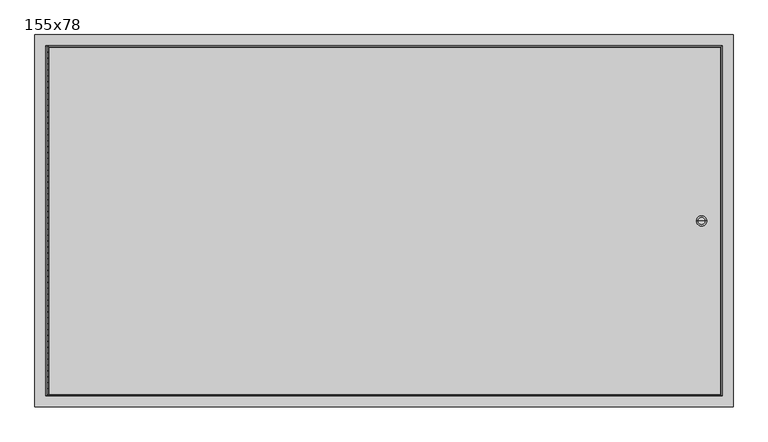
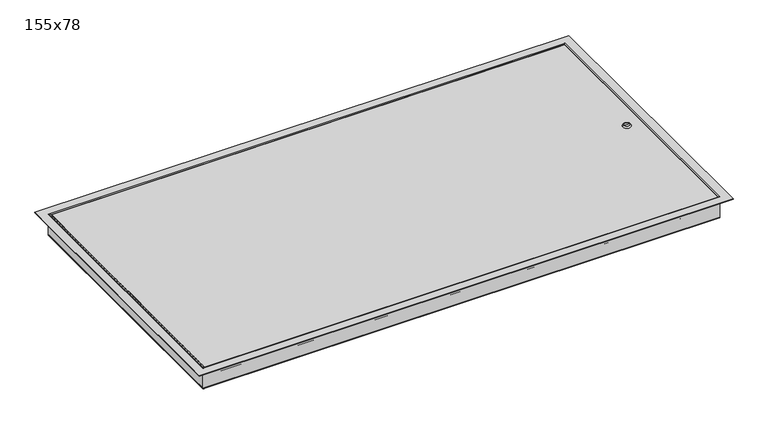
"""IFC4 building model written with IfcOpenShell, lengths in millimetres: proxy geometry, 155x78."""

from ifc_helpers import new_model, si_unit, point, frame, frame_2d, origin, place, context, project, spatial, polyline, circle_curve, ellipse_curve, trimmed, segment, composite_curve, outline, extrude, source, transform, mapped, element, save
from ifc_brep_helpers import plane_surface, cylinder_surface, revolved_surface, advanced_brep


def proxy_155x78_c3b8e505(model_context):
    return source(origin(), model_context, "Body", "SolidModel", [
        extrude(outline(polyline([(-152.4033794, 375.0033794), (1297.6033794, 375.0033794), (1297.6033794, -375.0033794), (-152.4033794, -375.0033794), (-152.4033794, 375.0033794)]), holes=[polyline([(1291.2533794, 368.6533814), (-146.0533794, 368.6533814), (-146.0533794, -368.6533825), (1291.2533794, -368.6533825), (1291.2533794, 368.6533814)])]), frame((0.0, 0.0, -36.3725982), z_axis=(0.0, 0.0, 1.0), x_axis=(1.0, 0.0, 0.0)), (0.0, 0.0, 1.0), 6.35),
        advanced_brep(
        [(-177.8000002, -400.4000002, 1.5750008), (-177.8000002, -400.4000002, 0.0), (1323.0000002, -400.4000002, 0.0), (1323.0000002, -400.4000002, 1.5750008), (-152.4033794, -375.0033794, -0.1268515), (-154.1781984, -376.7781984, 1.5750008), (1299.3781984, -376.7781984, 1.5750008), (1297.6033794, -375.0033794, -0.1268515), (-152.4033794, -375.0033794, -58.8652384), (1297.6033794, -375.0033794, -58.8652384), (-150.9186192, -373.5186192, -60.3499985), (1296.1186192, -373.5186192, -60.3499985), (-138.100005, -360.700005, -61.9249992), (-138.100005, -360.700005, -60.3499985), (1283.300005, -360.700005, -60.3499985), (1283.300005, -360.700005, -61.9249992), (-153.975001, -376.575001, -59.1648349), (-150.7997951, -373.3997951, -61.9249992), (1295.9997951, -373.3997951, -61.9249992), (1299.175001, -376.575001, -59.1648349), (-153.975001, -376.575001, 0.0), (1299.175001, -376.575001, 0.0), (1323.0000002, 400.4000002, 0.0), (1323.0000002, 400.4000002, 1.5750008), (1299.3781984, 376.7781984, 1.5750008), (1297.6033794, 375.0033794, -0.1268515), (1297.6033794, 375.0033794, -58.8652384), (1296.1186192, 373.5186192, -60.3499985), (1283.300005, 360.700005, -60.3499985), (1283.300005, 360.700005, -61.9249992), (1295.9997951, 373.3997951, -61.9249992), (1299.175001, 376.575001, -59.1648349), (1299.175001, 376.575001, 0.0), (-177.8000002, 400.4000002, 0.0), (-177.8000002, 400.4000002, 1.5750008), (-154.1781984, 376.7781984, 1.5750008), (-152.4033794, 375.0033794, -0.1268515), (-152.4033794, 375.0033794, -58.8652384), (-150.9186192, 373.5186192, -60.3499985), (-138.100005, 360.700005, -60.3499985), (-138.100005, 360.700005, -61.9249992), (-150.7997951, 373.3997951, -61.9249992), (-153.975001, 376.575001, -59.1648349), (-153.975001, 376.575001, 0.0)],
        [
            (0, 1),
            (1, 2),
            (2, 3),
            (3, 0),
            (4, 5, ellipse_curve(frame((-154.1781984, -376.7781984, -0.2013824), z_axis=(0.7071067811865475, -0.7071067811865475, 0.0), x_axis=(-0.7071067811865476, -0.7071067811865474, 0.0)), 2.5121852, 1.7763832)),
            (5, 6),
            (6, 7, ellipse_curve(frame((1299.3781984, -376.7781984, -0.2013824), z_axis=(-0.7071067811865475, -0.7071067811865475, 0.0), x_axis=(-0.7071067811865476, 0.7071067811865474, 0.0)), 2.5121852, 1.7763832)),
            (7, 4),
            (8, 4),
            (7, 9),
            (9, 8),
            (10, 8, ellipse_curve(frame((-150.9186192, -373.5186192, -58.8652384), z_axis=(-0.7071067811865475, 0.7071067811865475, 0.0), x_axis=(0.7071067811865476, 0.7071067811865474, 0.0)), 2.0997679, 1.4847601)),
            (9, 11, ellipse_curve(frame((1296.1186192, -373.5186192, -58.8652384), z_axis=(0.7071067811865475, 0.7071067811865475, 0.0), x_axis=(0.7071067811865476, -0.7071067811865474, 0.0)), 2.0997679, 1.4847601)),
            (11, 10),
            (12, 13),
            (13, 14),
            (14, 15),
            (15, 12),
            (16, 17, ellipse_curve(frame((-150.7997951, -373.3997951, -58.7185888), z_axis=(0.7071067811865475, -0.7071067811865475, 0.0), x_axis=(-0.7071067811865476, -0.7071067811865474, 0.0)), 4.5345492, 3.2064105)),
            (17, 18),
            (18, 19, ellipse_curve(frame((1295.9997951, -373.3997951, -58.7185888), z_axis=(-0.7071067811865475, -0.7071067811865475, 0.0), x_axis=(-0.7071067811865476, 0.7071067811865474, 0.0)), 4.5345492, 3.2064105)),
            (19, 16),
            (20, 16),
            (19, 21),
            (21, 20),
            (2, 22),
            (22, 23),
            (23, 3),
            (6, 24),
            (24, 25, ellipse_curve(frame((1299.3781984, 376.7781984, -0.2013824), z_axis=(0.7071067811865475, -0.7071067811865475, 0.0), x_axis=(-0.7071067811865474, -0.7071067811865476, 0.0)), 2.5121852, 1.7763832)),
            (25, 7),
            (25, 26),
            (26, 9),
            (26, 27, ellipse_curve(frame((1296.1186192, 373.5186192, -58.8652384), z_axis=(-0.7071067811865475, 0.7071067811865475, 0.0), x_axis=(0.7071067811865474, 0.7071067811865476, 0.0)), 2.0997679, 1.4847601)),
            (27, 11),
            (14, 28),
            (28, 29),
            (29, 15),
            (18, 30),
            (30, 31, ellipse_curve(frame((1295.9997951, 373.3997951, -58.7185888), z_axis=(0.7071067811865475, -0.7071067811865475, 0.0), x_axis=(-0.7071067811865474, -0.7071067811865476, 0.0)), 4.5345492, 3.2064105)),
            (31, 19),
            (31, 32),
            (32, 21),
            (22, 33),
            (33, 34),
            (34, 23),
            (24, 35),
            (35, 36, ellipse_curve(frame((-154.1781984, 376.7781984, -0.2013824), z_axis=(0.7071067811865475, 0.7071067811865475, 0.0), x_axis=(0.7071067811865476, -0.7071067811865474, 0.0)), 2.5121852, 1.7763832)),
            (36, 25),
            (36, 37),
            (37, 26),
            (37, 38, ellipse_curve(frame((-150.9186192, 373.5186192, -58.8652384), z_axis=(-0.7071067811865475, -0.7071067811865475, 0.0), x_axis=(-0.7071067811865476, 0.7071067811865474, 0.0)), 2.0997679, 1.4847601)),
            (38, 27),
            (28, 39),
            (39, 40),
            (40, 29),
            (30, 41),
            (41, 42, ellipse_curve(frame((-150.7997951, 373.3997951, -58.7185888), z_axis=(0.7071067811865475, 0.7071067811865475, 0.0), x_axis=(0.7071067811865476, -0.7071067811865474, 0.0)), 4.5345492, 3.2064105)),
            (42, 31),
            (42, 43),
            (43, 32),
            (33, 1),
            (0, 34),
            (5, 35),
            (4, 36),
            (8, 37),
            (10, 38),
            (13, 39),
            (12, 40),
            (17, 41),
            (16, 42),
            (20, 43),
        ],
        [
            plane_surface(frame((-177.8000002, -400.4000002, 0.0), z_axis=(0.0, -1.0, 0.0), x_axis=(1.0, 0.0, 0.0))),
            cylinder_surface(frame((-177.8, -376.7781984, -0.2013824), z_axis=(-1.0, 0.0, 0.0), x_axis=(0.0, 1.0, 0.0)), 1.7763832),
            plane_surface(frame((-152.4033794, -375.0033794, -0.1268515), z_axis=(0.0, 1.0, 0.0), x_axis=(1.0, 0.0, 0.0))),
            revolved_surface(polyline([(1297.6033794, -372.0338591, -58.8652384), (-152.4033794, -372.0338591, -58.8652384)]), (-177.8, -373.5186192, -58.8652384), (1.0, 0.0, 0.0)),
            plane_surface(frame((-138.100005, -360.700005, -60.3499985), z_axis=(0.0, 1.0, 0.0), x_axis=(1.0, 0.0, 0.0))),
            cylinder_surface(frame((-177.8, -373.3997951, -58.7185888), z_axis=(-1.0, 0.0, 0.0), x_axis=(0.0, 1.0, 0.0)), 3.2064105),
            plane_surface(frame((-153.975001, -376.575001, -59.1648349), z_axis=(0.0, -1.0, 0.0), x_axis=(1.0, 0.0, 0.0))),
            plane_surface(frame((1323.0000002, -400.4000002, 0.0), z_axis=(1.0, 0.0, 0.0), x_axis=(0.0, 1.0, 0.0))),
            cylinder_surface(frame((1299.3781984, -400.4, -0.2013824), z_axis=(0.0, -1.0, 0.0), x_axis=(-1.0, 0.0, 0.0)), 1.7763832),
            plane_surface(frame((1297.6033794, -375.0033794, -0.1268515), z_axis=(-1.0, 0.0, 0.0), x_axis=(0.0, 1.0, 0.0))),
            revolved_surface(polyline([(1294.6338591, 375.0033794, -58.8652384), (1294.6338591, -375.0033794, -58.8652384)]), (1296.1186192, -400.4, -58.8652384), (0.0, 1.0, 0.0)),
            plane_surface(frame((1283.300005, -360.700005, -60.3499985), z_axis=(-1.0, 0.0, 0.0), x_axis=(0.0, 1.0, 0.0))),
            cylinder_surface(frame((1295.9997951, -400.4, -58.7185888), z_axis=(0.0, -1.0, 0.0), x_axis=(-1.0, 0.0, 0.0)), 3.2064105),
            plane_surface(frame((1299.175001, -376.575001, -59.1648349), z_axis=(1.0, 0.0, 0.0), x_axis=(0.0, 1.0, 0.0))),
            plane_surface(frame((1323.0000002, 400.4000002, 0.0), z_axis=(0.0, 1.0, 0.0), x_axis=(-1.0, 0.0, 0.0))),
            cylinder_surface(frame((1323.0, 376.7781984, -0.2013824), z_axis=(1.0, 0.0, 0.0), x_axis=(0.0, -1.0, 0.0)), 1.7763832),
            plane_surface(frame((1297.6033794, 375.0033794, -0.1268515), z_axis=(0.0, -1.0, 0.0), x_axis=(-1.0, 0.0, 0.0))),
            revolved_surface(polyline([(-152.40337939999995, 372.0338591, -58.8652384), (1297.6033794, 372.0338591, -58.8652384)]), (1323.0, 373.5186192, -58.8652384), (-1.0, 0.0, 0.0)),
            plane_surface(frame((1283.300005, 360.700005, -60.3499985), z_axis=(0.0, -1.0, 0.0), x_axis=(-1.0, 0.0, 0.0))),
            cylinder_surface(frame((1323.0, 373.3997951, -58.7185888), z_axis=(1.0, 0.0, 0.0), x_axis=(0.0, -1.0, 0.0)), 3.2064105),
            plane_surface(frame((1299.175001, 376.575001, -59.1648349), z_axis=(0.0, 1.0, 0.0), x_axis=(-1.0, 0.0, 0.0))),
            plane_surface(frame((-177.8000002, 400.4000002, 0.0), z_axis=(-1.0, 0.0, 0.0), x_axis=(0.0, -1.0, 0.0))),
            plane_surface(frame((-177.8000002, 400.4000002, 1.5750008), z_axis=(0.0, 0.0, 1.0), x_axis=(0.0, -1.0, 0.0))),
            cylinder_surface(frame((-154.1781984, 400.4, -0.2013824), z_axis=(0.0, 1.0, 0.0), x_axis=(1.0, 0.0, 0.0)), 1.7763832),
            plane_surface(frame((-152.4033794, 375.0033794, -0.1268515), z_axis=(1.0, 0.0, 0.0), x_axis=(0.0, -1.0, 0.0))),
            revolved_surface(polyline([(-149.4338591, -375.0033794, -58.8652384), (-149.4338591, 375.0033794, -58.8652384)]), (-150.9186192, 400.4, -58.8652384), (0.0, -1.0, 0.0)),
            plane_surface(frame((-150.9186192, 373.5186192, -60.3499985), z_axis=(0.0, 0.0, 1.0), x_axis=(0.0, -1.0, 0.0))),
            plane_surface(frame((-138.100005, 360.700005, -60.3499985), z_axis=(1.0, 0.0, 0.0), x_axis=(0.0, -1.0, 0.0))),
            plane_surface(frame((-138.100005, 360.700005, -61.9249992), z_axis=(0.0, 0.0, -1.0), x_axis=(0.0, -1.0, 0.0))),
            cylinder_surface(frame((-150.7997951, 400.4, -58.7185888), z_axis=(0.0, 1.0, 0.0), x_axis=(1.0, 0.0, 0.0)), 3.2064105),
            plane_surface(frame((-153.975001, 376.575001, -59.1648349), z_axis=(-1.0, 0.0, 0.0), x_axis=(0.0, -1.0, 0.0))),
            plane_surface(frame((-153.975001, 376.575001, 0.0), z_axis=(0.0, 0.0, -1.0), x_axis=(0.0, -1.0, 0.0))),
        ],
        [
            (0, [[1, 2, 3, 4]]),
            (1, [[5, 6, 7, 8]]),
            (2, [[9, -8, 10, 11]]),
            (3, [[12, -11, 13, 14]]),
            (4, [[15, 16, 17, 18]]),
            (5, [[19, 20, 21, 22]]),
            (6, [[23, -22, 24, 25]]),
            (7, [[-3, 26, 27, 28]]),
            (8, [[-7, 29, 30, 31]]),
            (9, [[-10, -31, 32, 33]]),
            (10, [[-13, -33, 34, 35]]),
            (11, [[-17, 36, 37, 38]]),
            (12, [[-21, 39, 40, 41]]),
            (13, [[-24, -41, 42, 43]]),
            (14, [[-27, 44, 45, 46]]),
            (15, [[-30, 47, 48, 49]]),
            (16, [[-32, -49, 50, 51]]),
            (17, [[-34, -51, 52, 53]]),
            (18, [[-37, 54, 55, 56]]),
            (19, [[-40, 57, 58, 59]]),
            (20, [[-42, -59, 60, 61]]),
            (21, [[-45, 62, -1, 63]]),
            (22, [[-28, -46, -63, -4], [64, -47, -29, -6]]),
            (23, [[-48, -64, -5, 65]]),
            (24, [[-50, -65, -9, 66]]),
            (25, [[-52, -66, -12, 67]]),
            (26, [[-35, -53, -67, -14], [68, -54, -36, -16]]),
            (27, [[-55, -68, -15, 69]]),
            (28, [[70, -57, -39, -20], [-38, -56, -69, -18]]),
            (29, [[-58, -70, -19, 71]]),
            (30, [[-60, -71, -23, 72]]),
            (31, [[-62, -44, -26, -2], [-43, -61, -72, -25]]),
        ],
    ),
        extrude(outline(composite_curve([segment(trimmed(circle_curve(frame_2d((0.0, -150.415625)), 1.984375), [point((0.0, -152.4))], [point((0.0, -148.43125))], False, "CARTESIAN"), True, "CONTINUOUS"), segment(trimmed(circle_curve(frame_2d((0.0, -150.415625)), 1.984375), [point((0.0, -148.43125))], [point((0.0, -152.4))], False, "CARTESIAN"), True, "CONTINUOUS")], self_intersect=False)), frame((0.0, -372.7125, 0.0), z_axis=(0.0, 1.0, 0.0), x_axis=(0.0, 0.0, 1.0)), (0.0, 0.0, 1.0), 11.1125),
        extrude(outline(composite_curve([segment(trimmed(circle_curve(frame_2d((0.0, -150.415625)), 1.984375), [point((0.0, -152.4))], [point((0.0, -148.43125))], False, "CARTESIAN"), True, "CONTINUOUS"), segment(trimmed(circle_curve(frame_2d((0.0, -150.415625)), 1.984375), [point((0.0, -148.43125))], [point((0.0, -152.4))], False, "CARTESIAN"), True, "CONTINUOUS")], self_intersect=False)), frame((0.0, -360.0125, 0.0), z_axis=(0.0, 1.0, 0.0), x_axis=(0.0, 0.0, 1.0)), (0.0, 0.0, 1.0), 11.1125),
        extrude(outline(composite_curve([segment(trimmed(circle_curve(frame_2d((0.0, -150.415625)), 1.984375), [point((0.0, -152.4))], [point((0.0, -148.43125))], False, "CARTESIAN"), True, "CONTINUOUS"), segment(trimmed(circle_curve(frame_2d((0.0, -150.415625)), 1.984375), [point((0.0, -148.43125))], [point((0.0, -152.4))], False, "CARTESIAN"), True, "CONTINUOUS")], self_intersect=False)), frame((0.0, -347.3125, 0.0), z_axis=(0.0, 1.0, 0.0), x_axis=(0.0, 0.0, 1.0)), (0.0, 0.0, 1.0), 11.1125),
        extrude(outline(composite_curve([segment(trimmed(circle_curve(frame_2d((0.0, -150.415625)), 1.984375), [point((0.0, -152.4))], [point((0.0, -148.43125))], False, "CARTESIAN"), True, "CONTINUOUS"), segment(trimmed(circle_curve(frame_2d((0.0, -150.415625)), 1.984375), [point((0.0, -148.43125))], [point((0.0, -152.4))], False, "CARTESIAN"), True, "CONTINUOUS")], self_intersect=False)), frame((0.0, -334.6125, 0.0), z_axis=(0.0, 1.0, 0.0), x_axis=(0.0, 0.0, 1.0)), (0.0, 0.0, 1.0), 11.1125),
        extrude(outline(composite_curve([segment(trimmed(circle_curve(frame_2d((0.0, -150.415625)), 1.984375), [point((0.0, -152.4))], [point((0.0, -148.43125))], False, "CARTESIAN"), True, "CONTINUOUS"), segment(trimmed(circle_curve(frame_2d((0.0, -150.415625)), 1.984375), [point((0.0, -148.43125))], [point((0.0, -152.4))], False, "CARTESIAN"), True, "CONTINUOUS")], self_intersect=False)), frame((0.0, -321.9125, 0.0), z_axis=(0.0, 1.0, 0.0), x_axis=(0.0, 0.0, 1.0)), (0.0, 0.0, 1.0), 11.1125),
        extrude(outline(composite_curve([segment(trimmed(circle_curve(frame_2d((0.0, -150.415625)), 1.984375), [point((0.0, -152.4))], [point((0.0, -148.43125))], False, "CARTESIAN"), True, "CONTINUOUS"), segment(trimmed(circle_curve(frame_2d((0.0, -150.415625)), 1.984375), [point((0.0, -148.43125))], [point((0.0, -152.4))], False, "CARTESIAN"), True, "CONTINUOUS")], self_intersect=False)), frame((0.0, -309.2125, 0.0), z_axis=(0.0, 1.0, 0.0), x_axis=(0.0, 0.0, 1.0)), (0.0, 0.0, 1.0), 11.1125),
        extrude(outline(composite_curve([segment(trimmed(circle_curve(frame_2d((0.0, -150.415625)), 1.984375), [point((0.0, -152.4))], [point((0.0, -148.43125))], False, "CARTESIAN"), True, "CONTINUOUS"), segment(trimmed(circle_curve(frame_2d((0.0, -150.415625)), 1.984375), [point((0.0, -148.43125))], [point((0.0, -152.4))], False, "CARTESIAN"), True, "CONTINUOUS")], self_intersect=False)), frame((0.0, -296.5125, 0.0), z_axis=(0.0, 1.0, 0.0), x_axis=(0.0, 0.0, 1.0)), (0.0, 0.0, 1.0), 11.1125),
        extrude(outline(composite_curve([segment(trimmed(circle_curve(frame_2d((0.0, -150.415625)), 1.984375), [point((0.0, -152.4))], [point((0.0, -148.43125))], False, "CARTESIAN"), True, "CONTINUOUS"), segment(trimmed(circle_curve(frame_2d((0.0, -150.415625)), 1.984375), [point((0.0, -148.43125))], [point((0.0, -152.4))], False, "CARTESIAN"), True, "CONTINUOUS")], self_intersect=False)), frame((0.0, -283.8125, 0.0), z_axis=(0.0, 1.0, 0.0), x_axis=(0.0, 0.0, 1.0)), (0.0, 0.0, 1.0), 11.1125),
        extrude(outline(composite_curve([segment(trimmed(circle_curve(frame_2d((0.0, -150.415625)), 1.984375), [point((0.0, -152.4))], [point((0.0, -148.43125))], False, "CARTESIAN"), True, "CONTINUOUS"), segment(trimmed(circle_curve(frame_2d((0.0, -150.415625)), 1.984375), [point((0.0, -148.43125))], [point((0.0, -152.4))], False, "CARTESIAN"), True, "CONTINUOUS")], self_intersect=False)), frame((0.0, -271.1125, 0.0), z_axis=(0.0, 1.0, 0.0), x_axis=(0.0, 0.0, 1.0)), (0.0, 0.0, 1.0), 11.1125),
        extrude(outline(composite_curve([segment(trimmed(circle_curve(frame_2d((0.0, -150.415625)), 1.984375), [point((0.0, -152.4))], [point((0.0, -148.43125))], False, "CARTESIAN"), True, "CONTINUOUS"), segment(trimmed(circle_curve(frame_2d((0.0, -150.415625)), 1.984375), [point((0.0, -148.43125))], [point((0.0, -152.4))], False, "CARTESIAN"), True, "CONTINUOUS")], self_intersect=False)), frame((0.0, -258.4125, 0.0), z_axis=(0.0, 1.0, 0.0), x_axis=(0.0, 0.0, 1.0)), (0.0, 0.0, 1.0), 11.1125),
        extrude(outline(composite_curve([segment(trimmed(circle_curve(frame_2d((0.0, -150.415625)), 1.984375), [point((0.0, -152.4))], [point((0.0, -148.43125))], False, "CARTESIAN"), True, "CONTINUOUS"), segment(trimmed(circle_curve(frame_2d((0.0, -150.415625)), 1.984375), [point((0.0, -148.43125))], [point((0.0, -152.4))], False, "CARTESIAN"), True, "CONTINUOUS")], self_intersect=False)), frame((0.0, -245.7125, 0.0), z_axis=(0.0, 1.0, 0.0), x_axis=(0.0, 0.0, 1.0)), (0.0, 0.0, 1.0), 11.1125),
        extrude(outline(composite_curve([segment(trimmed(circle_curve(frame_2d((0.0, -150.415625)), 1.984375), [point((0.0, -152.4))], [point((0.0, -148.43125))], False, "CARTESIAN"), True, "CONTINUOUS"), segment(trimmed(circle_curve(frame_2d((0.0, -150.415625)), 1.984375), [point((0.0, -148.43125))], [point((0.0, -152.4))], False, "CARTESIAN"), True, "CONTINUOUS")], self_intersect=False)), frame((0.0, -233.0125, 0.0), z_axis=(0.0, 1.0, 0.0), x_axis=(0.0, 0.0, 1.0)), (0.0, 0.0, 1.0), 11.1125),
        extrude(outline(composite_curve([segment(trimmed(circle_curve(frame_2d((0.0, -150.415625)), 1.984375), [point((0.0, -152.4))], [point((0.0, -148.43125))], False, "CARTESIAN"), True, "CONTINUOUS"), segment(trimmed(circle_curve(frame_2d((0.0, -150.415625)), 1.984375), [point((0.0, -148.43125))], [point((0.0, -152.4))], False, "CARTESIAN"), True, "CONTINUOUS")], self_intersect=False)), frame((0.0, -220.3125, 0.0), z_axis=(0.0, 1.0, 0.0), x_axis=(0.0, 0.0, 1.0)), (0.0, 0.0, 1.0), 11.1125),
        extrude(outline(composite_curve([segment(trimmed(circle_curve(frame_2d((0.0, -150.415625)), 1.984375), [point((0.0, -152.4))], [point((0.0, -148.43125))], False, "CARTESIAN"), True, "CONTINUOUS"), segment(trimmed(circle_curve(frame_2d((0.0, -150.415625)), 1.984375), [point((0.0, -148.43125))], [point((0.0, -152.4))], False, "CARTESIAN"), True, "CONTINUOUS")], self_intersect=False)), frame((0.0, -207.6125, 0.0), z_axis=(0.0, 1.0, 0.0), x_axis=(0.0, 0.0, 1.0)), (0.0, 0.0, 1.0), 11.1125),
        extrude(outline(composite_curve([segment(trimmed(circle_curve(frame_2d((0.0, -150.415625)), 1.984375), [point((0.0, -152.4))], [point((0.0, -148.43125))], False, "CARTESIAN"), True, "CONTINUOUS"), segment(trimmed(circle_curve(frame_2d((0.0, -150.415625)), 1.984375), [point((0.0, -148.43125))], [point((0.0, -152.4))], False, "CARTESIAN"), True, "CONTINUOUS")], self_intersect=False)), frame((0.0, -194.9125, 0.0), z_axis=(0.0, 1.0, 0.0), x_axis=(0.0, 0.0, 1.0)), (0.0, 0.0, 1.0), 11.1125),
        extrude(outline(composite_curve([segment(trimmed(circle_curve(frame_2d((0.0, -150.415625)), 1.984375), [point((0.0, -152.4))], [point((0.0, -148.43125))], False, "CARTESIAN"), True, "CONTINUOUS"), segment(trimmed(circle_curve(frame_2d((0.0, -150.415625)), 1.984375), [point((0.0, -148.43125))], [point((0.0, -152.4))], False, "CARTESIAN"), True, "CONTINUOUS")], self_intersect=False)), frame((0.0, -182.2125, 0.0), z_axis=(0.0, 1.0, 0.0), x_axis=(0.0, 0.0, 1.0)), (0.0, 0.0, 1.0), 11.1125),
        extrude(outline(composite_curve([segment(trimmed(circle_curve(frame_2d((0.0, -150.415625)), 1.984375), [point((0.0, -152.4))], [point((0.0, -148.43125))], False, "CARTESIAN"), True, "CONTINUOUS"), segment(trimmed(circle_curve(frame_2d((0.0, -150.415625)), 1.984375), [point((0.0, -148.43125))], [point((0.0, -152.4))], False, "CARTESIAN"), True, "CONTINUOUS")], self_intersect=False)), frame((0.0, -169.5125, 0.0), z_axis=(0.0, 1.0, 0.0), x_axis=(0.0, 0.0, 1.0)), (0.0, 0.0, 1.0), 11.1125),
        extrude(outline(composite_curve([segment(trimmed(circle_curve(frame_2d((0.0, -150.415625)), 1.984375), [point((0.0, -152.4))], [point((0.0, -148.43125))], False, "CARTESIAN"), True, "CONTINUOUS"), segment(trimmed(circle_curve(frame_2d((0.0, -150.415625)), 1.984375), [point((0.0, -148.43125))], [point((0.0, -152.4))], False, "CARTESIAN"), True, "CONTINUOUS")], self_intersect=False)), frame((0.0, -156.8125, 0.0), z_axis=(0.0, 1.0, 0.0), x_axis=(0.0, 0.0, 1.0)), (0.0, 0.0, 1.0), 11.1125),
        extrude(outline(composite_curve([segment(trimmed(circle_curve(frame_2d((0.0, -150.415625)), 1.984375), [point((0.0, -152.4))], [point((0.0, -148.43125))], False, "CARTESIAN"), True, "CONTINUOUS"), segment(trimmed(circle_curve(frame_2d((0.0, -150.415625)), 1.984375), [point((0.0, -148.43125))], [point((0.0, -152.4))], False, "CARTESIAN"), True, "CONTINUOUS")], self_intersect=False)), frame((0.0, -144.1125, 0.0), z_axis=(0.0, 1.0, 0.0), x_axis=(0.0, 0.0, 1.0)), (0.0, 0.0, 1.0), 11.1125),
        extrude(outline(composite_curve([segment(trimmed(circle_curve(frame_2d((0.0, -150.415625)), 1.984375), [point((0.0, -152.4))], [point((0.0, -148.43125))], False, "CARTESIAN"), True, "CONTINUOUS"), segment(trimmed(circle_curve(frame_2d((0.0, -150.415625)), 1.984375), [point((0.0, -148.43125))], [point((0.0, -152.4))], False, "CARTESIAN"), True, "CONTINUOUS")], self_intersect=False)), frame((0.0, -131.4125, 0.0), z_axis=(0.0, 1.0, 0.0), x_axis=(0.0, 0.0, 1.0)), (0.0, 0.0, 1.0), 11.1125),
        extrude(outline(composite_curve([segment(trimmed(circle_curve(frame_2d((0.0, -150.415625)), 1.984375), [point((0.0, -152.4))], [point((0.0, -148.43125))], False, "CARTESIAN"), True, "CONTINUOUS"), segment(trimmed(circle_curve(frame_2d((0.0, -150.415625)), 1.984375), [point((0.0, -148.43125))], [point((0.0, -152.4))], False, "CARTESIAN"), True, "CONTINUOUS")], self_intersect=False)), frame((0.0, -118.7125, 0.0), z_axis=(0.0, 1.0, 0.0), x_axis=(0.0, 0.0, 1.0)), (0.0, 0.0, 1.0), 11.1125),
        extrude(outline(composite_curve([segment(trimmed(circle_curve(frame_2d((0.0, -150.415625)), 1.984375), [point((0.0, -152.4))], [point((0.0, -148.43125))], False, "CARTESIAN"), True, "CONTINUOUS"), segment(trimmed(circle_curve(frame_2d((0.0, -150.415625)), 1.984375), [point((0.0, -148.43125))], [point((0.0, -152.4))], False, "CARTESIAN"), True, "CONTINUOUS")], self_intersect=False)), frame((0.0, -106.0125, 0.0), z_axis=(0.0, 1.0, 0.0), x_axis=(0.0, 0.0, 1.0)), (0.0, 0.0, 1.0), 11.1125),
        extrude(outline(composite_curve([segment(trimmed(circle_curve(frame_2d((0.0, -150.415625)), 1.984375), [point((0.0, -152.4))], [point((0.0, -148.43125))], False, "CARTESIAN"), True, "CONTINUOUS"), segment(trimmed(circle_curve(frame_2d((0.0, -150.415625)), 1.984375), [point((0.0, -148.43125))], [point((0.0, -152.4))], False, "CARTESIAN"), True, "CONTINUOUS")], self_intersect=False)), frame((0.0, -93.3125, 0.0), z_axis=(0.0, 1.0, 0.0), x_axis=(0.0, 0.0, 1.0)), (0.0, 0.0, 1.0), 11.1125),
        extrude(outline(composite_curve([segment(trimmed(circle_curve(frame_2d((0.0, -150.415625)), 1.984375), [point((0.0, -152.4))], [point((0.0, -148.43125))], False, "CARTESIAN"), True, "CONTINUOUS"), segment(trimmed(circle_curve(frame_2d((0.0, -150.415625)), 1.984375), [point((0.0, -148.43125))], [point((0.0, -152.4))], False, "CARTESIAN"), True, "CONTINUOUS")], self_intersect=False)), frame((0.0, -80.6125, 0.0), z_axis=(0.0, 1.0, 0.0), x_axis=(0.0, 0.0, 1.0)), (0.0, 0.0, 1.0), 11.1125),
        extrude(outline(composite_curve([segment(trimmed(circle_curve(frame_2d((0.0, -150.415625)), 1.984375), [point((0.0, -152.4))], [point((0.0, -148.43125))], False, "CARTESIAN"), True, "CONTINUOUS"), segment(trimmed(circle_curve(frame_2d((0.0, -150.415625)), 1.984375), [point((0.0, -148.43125))], [point((0.0, -152.4))], False, "CARTESIAN"), True, "CONTINUOUS")], self_intersect=False)), frame((0.0, -67.9125, 0.0), z_axis=(0.0, 1.0, 0.0), x_axis=(0.0, 0.0, 1.0)), (0.0, 0.0, 1.0), 11.1125),
        extrude(outline(composite_curve([segment(trimmed(circle_curve(frame_2d((0.0, -150.415625)), 1.984375), [point((0.0, -152.4))], [point((0.0, -148.43125))], False, "CARTESIAN"), True, "CONTINUOUS"), segment(trimmed(circle_curve(frame_2d((0.0, -150.415625)), 1.984375), [point((0.0, -148.43125))], [point((0.0, -152.4))], False, "CARTESIAN"), True, "CONTINUOUS")], self_intersect=False)), frame((0.0, -55.2125, 0.0), z_axis=(0.0, 1.0, 0.0), x_axis=(0.0, 0.0, 1.0)), (0.0, 0.0, 1.0), 11.1125),
        extrude(outline(composite_curve([segment(trimmed(circle_curve(frame_2d((0.0, -150.415625)), 1.984375), [point((0.0, -152.4))], [point((0.0, -148.43125))], False, "CARTESIAN"), True, "CONTINUOUS"), segment(trimmed(circle_curve(frame_2d((0.0, -150.415625)), 1.984375), [point((0.0, -148.43125))], [point((0.0, -152.4))], False, "CARTESIAN"), True, "CONTINUOUS")], self_intersect=False)), frame((0.0, -42.5125, 0.0), z_axis=(0.0, 1.0, 0.0), x_axis=(0.0, 0.0, 1.0)), (0.0, 0.0, 1.0), 11.1125),
        extrude(outline(composite_curve([segment(trimmed(circle_curve(frame_2d((0.0, -150.415625)), 1.984375), [point((0.0, -152.4))], [point((0.0, -148.43125))], False, "CARTESIAN"), True, "CONTINUOUS"), segment(trimmed(circle_curve(frame_2d((0.0, -150.415625)), 1.984375), [point((0.0, -148.43125))], [point((0.0, -152.4))], False, "CARTESIAN"), True, "CONTINUOUS")], self_intersect=False)), frame((0.0, -29.8125, 0.0), z_axis=(0.0, 1.0, 0.0), x_axis=(0.0, 0.0, 1.0)), (0.0, 0.0, 1.0), 11.1125),
        extrude(outline(composite_curve([segment(trimmed(circle_curve(frame_2d((0.0, -150.415625)), 1.984375), [point((0.0, -152.4))], [point((0.0, -148.43125))], False, "CARTESIAN"), True, "CONTINUOUS"), segment(trimmed(circle_curve(frame_2d((0.0, -150.415625)), 1.984375), [point((0.0, -148.43125))], [point((0.0, -152.4))], False, "CARTESIAN"), True, "CONTINUOUS")], self_intersect=False)), frame((0.0, -17.1125, 0.0), z_axis=(0.0, 1.0, 0.0), x_axis=(0.0, 0.0, 1.0)), (0.0, 0.0, 1.0), 11.1125),
        extrude(outline(composite_curve([segment(trimmed(circle_curve(frame_2d((0.0, -150.415625)), 1.984375), [point((0.0, -152.4))], [point((0.0, -148.43125))], False, "CARTESIAN"), True, "CONTINUOUS"), segment(trimmed(circle_curve(frame_2d((0.0, -150.415625)), 1.984375), [point((0.0, -148.43125))], [point((0.0, -152.4))], False, "CARTESIAN"), True, "CONTINUOUS")], self_intersect=False)), frame((0.0, -4.4125, 0.0), z_axis=(0.0, 1.0, 0.0), x_axis=(0.0, 0.0, 1.0)), (0.0, 0.0, 1.0), 11.1125),
        extrude(outline(composite_curve([segment(trimmed(circle_curve(frame_2d((0.0, -150.415625)), 1.984375), [point((0.0, -152.4))], [point((0.0, -148.43125))], False, "CARTESIAN"), True, "CONTINUOUS"), segment(trimmed(circle_curve(frame_2d((0.0, -150.415625)), 1.984375), [point((0.0, -148.43125))], [point((0.0, -152.4))], False, "CARTESIAN"), True, "CONTINUOUS")], self_intersect=False)), frame((0.0, 8.2875, 0.0), z_axis=(0.0, 1.0, 0.0), x_axis=(0.0, 0.0, 1.0)), (0.0, 0.0, 1.0), 11.1125),
        extrude(outline(composite_curve([segment(trimmed(circle_curve(frame_2d((0.0, -150.415625)), 1.984375), [point((0.0, -152.4))], [point((0.0, -148.43125))], False, "CARTESIAN"), True, "CONTINUOUS"), segment(trimmed(circle_curve(frame_2d((0.0, -150.415625)), 1.984375), [point((0.0, -148.43125))], [point((0.0, -152.4))], False, "CARTESIAN"), True, "CONTINUOUS")], self_intersect=False)), frame((0.0, 20.9875, 0.0), z_axis=(0.0, 1.0, 0.0), x_axis=(0.0, 0.0, 1.0)), (0.0, 0.0, 1.0), 11.1125),
        extrude(outline(composite_curve([segment(trimmed(circle_curve(frame_2d((0.0, -150.415625)), 1.984375), [point((0.0, -152.4))], [point((0.0, -148.43125))], False, "CARTESIAN"), True, "CONTINUOUS"), segment(trimmed(circle_curve(frame_2d((0.0, -150.415625)), 1.984375), [point((0.0, -148.43125))], [point((0.0, -152.4))], False, "CARTESIAN"), True, "CONTINUOUS")], self_intersect=False)), frame((0.0, 33.6875, 0.0), z_axis=(0.0, 1.0, 0.0), x_axis=(0.0, 0.0, 1.0)), (0.0, 0.0, 1.0), 11.1125),
        extrude(outline(composite_curve([segment(trimmed(circle_curve(frame_2d((0.0, -150.415625)), 1.984375), [point((0.0, -152.4))], [point((0.0, -148.43125))], False, "CARTESIAN"), True, "CONTINUOUS"), segment(trimmed(circle_curve(frame_2d((0.0, -150.415625)), 1.984375), [point((0.0, -148.43125))], [point((0.0, -152.4))], False, "CARTESIAN"), True, "CONTINUOUS")], self_intersect=False)), frame((0.0, 46.3875, 0.0), z_axis=(0.0, 1.0, 0.0), x_axis=(0.0, 0.0, 1.0)), (0.0, 0.0, 1.0), 11.1125),
        extrude(outline(composite_curve([segment(trimmed(circle_curve(frame_2d((0.0, -150.415625)), 1.984375), [point((0.0, -152.4))], [point((0.0, -148.43125))], False, "CARTESIAN"), True, "CONTINUOUS"), segment(trimmed(circle_curve(frame_2d((0.0, -150.415625)), 1.984375), [point((0.0, -148.43125))], [point((0.0, -152.4))], False, "CARTESIAN"), True, "CONTINUOUS")], self_intersect=False)), frame((0.0, 59.0875, 0.0), z_axis=(0.0, 1.0, 0.0), x_axis=(0.0, 0.0, 1.0)), (0.0, 0.0, 1.0), 11.1125),
        extrude(outline(composite_curve([segment(trimmed(circle_curve(frame_2d((0.0, -150.415625)), 1.984375), [point((0.0, -152.4))], [point((0.0, -148.43125))], False, "CARTESIAN"), True, "CONTINUOUS"), segment(trimmed(circle_curve(frame_2d((0.0, -150.415625)), 1.984375), [point((0.0, -148.43125))], [point((0.0, -152.4))], False, "CARTESIAN"), True, "CONTINUOUS")], self_intersect=False)), frame((0.0, 71.7875, 0.0), z_axis=(0.0, 1.0, 0.0), x_axis=(0.0, 0.0, 1.0)), (0.0, 0.0, 1.0), 11.1125),
        extrude(outline(composite_curve([segment(trimmed(circle_curve(frame_2d((0.0, -150.415625)), 1.984375), [point((0.0, -152.4))], [point((0.0, -148.43125))], False, "CARTESIAN"), True, "CONTINUOUS"), segment(trimmed(circle_curve(frame_2d((0.0, -150.415625)), 1.984375), [point((0.0, -148.43125))], [point((0.0, -152.4))], False, "CARTESIAN"), True, "CONTINUOUS")], self_intersect=False)), frame((0.0, 84.4875, 0.0), z_axis=(0.0, 1.0, 0.0), x_axis=(0.0, 0.0, 1.0)), (0.0, 0.0, 1.0), 11.1125),
        extrude(outline(composite_curve([segment(trimmed(circle_curve(frame_2d((0.0, -150.415625)), 1.984375), [point((0.0, -152.4))], [point((0.0, -148.43125))], False, "CARTESIAN"), True, "CONTINUOUS"), segment(trimmed(circle_curve(frame_2d((0.0, -150.415625)), 1.984375), [point((0.0, -148.43125))], [point((0.0, -152.4))], False, "CARTESIAN"), True, "CONTINUOUS")], self_intersect=False)), frame((0.0, 97.1875, 0.0), z_axis=(0.0, 1.0, 0.0), x_axis=(0.0, 0.0, 1.0)), (0.0, 0.0, 1.0), 11.1125),
        extrude(outline(composite_curve([segment(trimmed(circle_curve(frame_2d((0.0, -150.415625)), 1.984375), [point((0.0, -152.4))], [point((0.0, -148.43125))], False, "CARTESIAN"), True, "CONTINUOUS"), segment(trimmed(circle_curve(frame_2d((0.0, -150.415625)), 1.984375), [point((0.0, -148.43125))], [point((0.0, -152.4))], False, "CARTESIAN"), True, "CONTINUOUS")], self_intersect=False)), frame((0.0, 109.8875, 0.0), z_axis=(0.0, 1.0, 0.0), x_axis=(0.0, 0.0, 1.0)), (0.0, 0.0, 1.0), 11.1125),
        extrude(outline(composite_curve([segment(trimmed(circle_curve(frame_2d((0.0, -150.415625)), 1.984375), [point((0.0, -152.4))], [point((0.0, -148.43125))], False, "CARTESIAN"), True, "CONTINUOUS"), segment(trimmed(circle_curve(frame_2d((0.0, -150.415625)), 1.984375), [point((0.0, -148.43125))], [point((0.0, -152.4))], False, "CARTESIAN"), True, "CONTINUOUS")], self_intersect=False)), frame((0.0, 122.5875, 0.0), z_axis=(0.0, 1.0, 0.0), x_axis=(0.0, 0.0, 1.0)), (0.0, 0.0, 1.0), 11.1125),
        extrude(outline(composite_curve([segment(trimmed(circle_curve(frame_2d((0.0, -150.415625)), 1.984375), [point((0.0, -152.4))], [point((0.0, -148.43125))], False, "CARTESIAN"), True, "CONTINUOUS"), segment(trimmed(circle_curve(frame_2d((0.0, -150.415625)), 1.984375), [point((0.0, -148.43125))], [point((0.0, -152.4))], False, "CARTESIAN"), True, "CONTINUOUS")], self_intersect=False)), frame((0.0, 135.2875, 0.0), z_axis=(0.0, 1.0, 0.0), x_axis=(0.0, 0.0, 1.0)), (0.0, 0.0, 1.0), 11.1125),
        extrude(outline(composite_curve([segment(trimmed(circle_curve(frame_2d((0.0, -150.415625)), 1.984375), [point((0.0, -152.4))], [point((0.0, -148.43125))], False, "CARTESIAN"), True, "CONTINUOUS"), segment(trimmed(circle_curve(frame_2d((0.0, -150.415625)), 1.984375), [point((0.0, -148.43125))], [point((0.0, -152.4))], False, "CARTESIAN"), True, "CONTINUOUS")], self_intersect=False)), frame((0.0, 147.9875, 0.0), z_axis=(0.0, 1.0, 0.0), x_axis=(0.0, 0.0, 1.0)), (0.0, 0.0, 1.0), 11.1125),
        extrude(outline(composite_curve([segment(trimmed(circle_curve(frame_2d((0.0, -150.415625)), 1.984375), [point((0.0, -152.4))], [point((0.0, -148.43125))], False, "CARTESIAN"), True, "CONTINUOUS"), segment(trimmed(circle_curve(frame_2d((0.0, -150.415625)), 1.984375), [point((0.0, -148.43125))], [point((0.0, -152.4))], False, "CARTESIAN"), True, "CONTINUOUS")], self_intersect=False)), frame((0.0, 160.6875, 0.0), z_axis=(0.0, 1.0, 0.0), x_axis=(0.0, 0.0, 1.0)), (0.0, 0.0, 1.0), 11.1125),
        extrude(outline(composite_curve([segment(trimmed(circle_curve(frame_2d((0.0, -150.415625)), 1.984375), [point((0.0, -152.4))], [point((0.0, -148.43125))], False, "CARTESIAN"), True, "CONTINUOUS"), segment(trimmed(circle_curve(frame_2d((0.0, -150.415625)), 1.984375), [point((0.0, -148.43125))], [point((0.0, -152.4))], False, "CARTESIAN"), True, "CONTINUOUS")], self_intersect=False)), frame((0.0, 173.3875, 0.0), z_axis=(0.0, 1.0, 0.0), x_axis=(0.0, 0.0, 1.0)), (0.0, 0.0, 1.0), 11.1125),
        extrude(outline(composite_curve([segment(trimmed(circle_curve(frame_2d((0.0, -150.415625)), 1.984375), [point((0.0, -152.4))], [point((0.0, -148.43125))], False, "CARTESIAN"), True, "CONTINUOUS"), segment(trimmed(circle_curve(frame_2d((0.0, -150.415625)), 1.984375), [point((0.0, -148.43125))], [point((0.0, -152.4))], False, "CARTESIAN"), True, "CONTINUOUS")], self_intersect=False)), frame((0.0, 186.0875, 0.0), z_axis=(0.0, 1.0, 0.0), x_axis=(0.0, 0.0, 1.0)), (0.0, 0.0, 1.0), 11.1125),
        extrude(outline(composite_curve([segment(trimmed(circle_curve(frame_2d((0.0, -150.415625)), 1.984375), [point((0.0, -152.4))], [point((0.0, -148.43125))], False, "CARTESIAN"), True, "CONTINUOUS"), segment(trimmed(circle_curve(frame_2d((0.0, -150.415625)), 1.984375), [point((0.0, -148.43125))], [point((0.0, -152.4))], False, "CARTESIAN"), True, "CONTINUOUS")], self_intersect=False)), frame((0.0, 198.7875, 0.0), z_axis=(0.0, 1.0, 0.0), x_axis=(0.0, 0.0, 1.0)), (0.0, 0.0, 1.0), 11.1125),
        extrude(outline(composite_curve([segment(trimmed(circle_curve(frame_2d((0.0, -150.415625)), 1.984375), [point((0.0, -152.4))], [point((0.0, -148.43125))], False, "CARTESIAN"), True, "CONTINUOUS"), segment(trimmed(circle_curve(frame_2d((0.0, -150.415625)), 1.984375), [point((0.0, -148.43125))], [point((0.0, -152.4))], False, "CARTESIAN"), True, "CONTINUOUS")], self_intersect=False)), frame((0.0, 211.4875, 0.0), z_axis=(0.0, 1.0, 0.0), x_axis=(0.0, 0.0, 1.0)), (0.0, 0.0, 1.0), 11.1125),
        extrude(outline(composite_curve([segment(trimmed(circle_curve(frame_2d((0.0, -150.415625)), 1.984375), [point((0.0, -152.4))], [point((0.0, -148.43125))], False, "CARTESIAN"), True, "CONTINUOUS"), segment(trimmed(circle_curve(frame_2d((0.0, -150.415625)), 1.984375), [point((0.0, -148.43125))], [point((0.0, -152.4))], False, "CARTESIAN"), True, "CONTINUOUS")], self_intersect=False)), frame((0.0, 224.1875, 0.0), z_axis=(0.0, 1.0, 0.0), x_axis=(0.0, 0.0, 1.0)), (0.0, 0.0, 1.0), 11.1125),
        extrude(outline(composite_curve([segment(trimmed(circle_curve(frame_2d((0.0, -150.415625)), 1.984375), [point((0.0, -152.4))], [point((0.0, -148.43125))], False, "CARTESIAN"), True, "CONTINUOUS"), segment(trimmed(circle_curve(frame_2d((0.0, -150.415625)), 1.984375), [point((0.0, -148.43125))], [point((0.0, -152.4))], False, "CARTESIAN"), True, "CONTINUOUS")], self_intersect=False)), frame((0.0, 236.8875, 0.0), z_axis=(0.0, 1.0, 0.0), x_axis=(0.0, 0.0, 1.0)), (0.0, 0.0, 1.0), 11.1125),
        extrude(outline(composite_curve([segment(trimmed(circle_curve(frame_2d((0.0, -150.415625)), 1.984375), [point((0.0, -152.4))], [point((0.0, -148.43125))], False, "CARTESIAN"), True, "CONTINUOUS"), segment(trimmed(circle_curve(frame_2d((0.0, -150.415625)), 1.984375), [point((0.0, -148.43125))], [point((0.0, -152.4))], False, "CARTESIAN"), True, "CONTINUOUS")], self_intersect=False)), frame((0.0, 249.5875, 0.0), z_axis=(0.0, 1.0, 0.0), x_axis=(0.0, 0.0, 1.0)), (0.0, 0.0, 1.0), 11.1125),
        extrude(outline(composite_curve([segment(trimmed(circle_curve(frame_2d((0.0, -150.415625)), 1.984375), [point((0.0, -152.4))], [point((0.0, -148.43125))], False, "CARTESIAN"), True, "CONTINUOUS"), segment(trimmed(circle_curve(frame_2d((0.0, -150.415625)), 1.984375), [point((0.0, -148.43125))], [point((0.0, -152.4))], False, "CARTESIAN"), True, "CONTINUOUS")], self_intersect=False)), frame((0.0, 262.2875, 0.0), z_axis=(0.0, 1.0, 0.0), x_axis=(0.0, 0.0, 1.0)), (0.0, 0.0, 1.0), 11.1125),
        extrude(outline(composite_curve([segment(trimmed(circle_curve(frame_2d((0.0, -150.415625)), 1.984375), [point((0.0, -152.4))], [point((0.0, -148.43125))], False, "CARTESIAN"), True, "CONTINUOUS"), segment(trimmed(circle_curve(frame_2d((0.0, -150.415625)), 1.984375), [point((0.0, -148.43125))], [point((0.0, -152.4))], False, "CARTESIAN"), True, "CONTINUOUS")], self_intersect=False)), frame((0.0, 274.9875, 0.0), z_axis=(0.0, 1.0, 0.0), x_axis=(0.0, 0.0, 1.0)), (0.0, 0.0, 1.0), 11.1125),
        extrude(outline(composite_curve([segment(trimmed(circle_curve(frame_2d((0.0, -150.415625)), 1.984375), [point((0.0, -152.4))], [point((0.0, -148.43125))], False, "CARTESIAN"), True, "CONTINUOUS"), segment(trimmed(circle_curve(frame_2d((0.0, -150.415625)), 1.984375), [point((0.0, -148.43125))], [point((0.0, -152.4))], False, "CARTESIAN"), True, "CONTINUOUS")], self_intersect=False)), frame((0.0, 287.6875, 0.0), z_axis=(0.0, 1.0, 0.0), x_axis=(0.0, 0.0, 1.0)), (0.0, 0.0, 1.0), 11.1125),
        extrude(outline(composite_curve([segment(trimmed(circle_curve(frame_2d((0.0, -150.415625)), 1.984375), [point((0.0, -152.4))], [point((0.0, -148.43125))], False, "CARTESIAN"), True, "CONTINUOUS"), segment(trimmed(circle_curve(frame_2d((0.0, -150.415625)), 1.984375), [point((0.0, -148.43125))], [point((0.0, -152.4))], False, "CARTESIAN"), True, "CONTINUOUS")], self_intersect=False)), frame((0.0, 300.3875, 0.0), z_axis=(0.0, 1.0, 0.0), x_axis=(0.0, 0.0, 1.0)), (0.0, 0.0, 1.0), 11.1125),
        extrude(outline(composite_curve([segment(trimmed(circle_curve(frame_2d((0.0, -150.415625)), 1.984375), [point((0.0, -152.4))], [point((0.0, -148.43125))], False, "CARTESIAN"), True, "CONTINUOUS"), segment(trimmed(circle_curve(frame_2d((0.0, -150.415625)), 1.984375), [point((0.0, -148.43125))], [point((0.0, -152.4))], False, "CARTESIAN"), True, "CONTINUOUS")], self_intersect=False)), frame((0.0, 313.0875, 0.0), z_axis=(0.0, 1.0, 0.0), x_axis=(0.0, 0.0, 1.0)), (0.0, 0.0, 1.0), 11.1125),
        extrude(outline(composite_curve([segment(trimmed(circle_curve(frame_2d((0.0, -150.415625)), 1.984375), [point((0.0, -152.4))], [point((0.0, -148.43125))], False, "CARTESIAN"), True, "CONTINUOUS"), segment(trimmed(circle_curve(frame_2d((0.0, -150.415625)), 1.984375), [point((0.0, -148.43125))], [point((0.0, -152.4))], False, "CARTESIAN"), True, "CONTINUOUS")], self_intersect=False)), frame((0.0, 325.7875, 0.0), z_axis=(0.0, 1.0, 0.0), x_axis=(0.0, 0.0, 1.0)), (0.0, 0.0, 1.0), 11.1125),
        extrude(outline(composite_curve([segment(trimmed(circle_curve(frame_2d((0.0, -150.415625)), 1.984375), [point((0.0, -152.4))], [point((0.0, -148.43125))], False, "CARTESIAN"), True, "CONTINUOUS"), segment(trimmed(circle_curve(frame_2d((0.0, -150.415625)), 1.984375), [point((0.0, -148.43125))], [point((0.0, -152.4))], False, "CARTESIAN"), True, "CONTINUOUS")], self_intersect=False)), frame((0.0, 338.4875, 0.0), z_axis=(0.0, 1.0, 0.0), x_axis=(0.0, 0.0, 1.0)), (0.0, 0.0, 1.0), 11.1125),
        extrude(outline(composite_curve([segment(trimmed(circle_curve(frame_2d((0.0, -150.415625)), 1.984375), [point((0.0, -152.4))], [point((0.0, -148.43125))], False, "CARTESIAN"), True, "CONTINUOUS"), segment(trimmed(circle_curve(frame_2d((0.0, -150.415625)), 1.984375), [point((0.0, -148.43125))], [point((0.0, -152.4))], False, "CARTESIAN"), True, "CONTINUOUS")], self_intersect=False)), frame((0.0, 363.8875, 0.0), z_axis=(0.0, 1.0, 0.0), x_axis=(0.0, 0.0, 1.0)), (0.0, 0.0, 1.0), 11.1125),
        extrude(outline(composite_curve([segment(trimmed(circle_curve(frame_2d((0.0, -150.415625)), 1.984375), [point((0.0, -152.4))], [point((0.0, -148.43125))], False, "CARTESIAN"), True, "CONTINUOUS"), segment(trimmed(circle_curve(frame_2d((0.0, -150.415625)), 1.984375), [point((0.0, -148.43125))], [point((0.0, -152.4))], False, "CARTESIAN"), True, "CONTINUOUS")], self_intersect=False)), frame((0.0, 351.1875, 0.0), z_axis=(0.0, 1.0, 0.0), x_axis=(0.0, 0.0, 1.0)), (0.0, 0.0, 1.0), 11.1125),
        advanced_brep(
        [(1262.4501833, 0.0, 3.6318895), (1255.2176306, 0.0, 3.6318895), (1247.9850779, 0.0, 3.6318895), (1266.3417336, 0.0, 0.0), (1244.0935276, 0.0, 0.0), (1255.2176306, 0.0, 0.0)],
        [
            (0, 1),
            (1, 2),
            (2, 0, circle_curve(frame((1255.2176306, 0.0, 3.6318895), z_axis=(0.0, 0.0, 1.0), x_axis=(-1.0, 0.0, 0.0)), 7.2325527)),
            (0, 2, circle_curve(frame((1255.2176306, 0.0, 3.6318895), z_axis=(0.0, 0.0, 1.0), x_axis=(-1.0, 0.0, 0.0)), 7.2325527)),
            (3, 0, circle_curve(frame((1262.5016487, 0.0, -0.213798), z_axis=(0.0, -1.0, 0.0), x_axis=(-1.0, 0.0, 0.0)), 3.8460319)),
            (2, 4, circle_curve(frame((1247.9336125, 0.0, -0.213798), z_axis=(0.0, -1.0, 0.0), x_axis=(1.0, 0.0, 0.0)), 3.8460319)),
            (4, 3, circle_curve(frame((1255.2176306, 0.0, 0.0), z_axis=(0.0, 0.0, 1.0), x_axis=(-1.0, 0.0, 0.0)), 11.124103)),
            (3, 4, circle_curve(frame((1255.2176306, 0.0, 0.0), z_axis=(0.0, 0.0, 1.0), x_axis=(-1.0, 0.0, 0.0)), 11.124103)),
            (5, 3),
            (4, 5),
        ],
        [
            plane_surface(frame((1255.2176306, 0.0, 3.6318895), z_axis=(0.0, 0.0, 1.0), x_axis=(-1.0, 0.0, 0.0))),
            revolved_surface(trimmed(ellipse_curve(frame((1247.9336125, 0.0, -0.213798), z_axis=(0.0, -1.0, 0.0), x_axis=(1.0, 0.0, 0.0)), 3.8460319, 3.8460319), [point((1247.9850779, 0.0, 3.6318895))], [point((1244.0935276, 0.0, 0.0))], True, "CARTESIAN"), (1255.2176306, 0.0, 3.6318895), (0.0, 0.0, -1.0)),
            plane_surface(frame((1255.2176306, 0.0, 0.0), z_axis=(0.0, 0.0, -1.0), x_axis=(-1.0, 0.0, 0.0))),
        ],
        [
            (0, [[1, 2, 3]]),
            (0, [[-2, -1, 4]]),
            (1, [[5, -3, 6, 7]]),
            (1, [[-6, -4, -5, 8]]),
            (2, [[9, -7, 10]]),
            (2, [[-10, -8, -9]]),
        ],
    ),
        extrude(outline(polyline([(-146.62849, -373.1965998), (-146.62849, 373.1965998), (1295.7965998, 373.1965998), (1295.7965998, -373.1965998), (-146.62849, -373.1965998)])), frame((0.0, 0.0, -26.9887015), z_axis=(0.0, 0.0, 1.0), x_axis=(1.0, 0.0, 0.0)), (0.0, 0.0, 1.0), 26.9887015),
        advanced_brep(
        [(-146.6278498, 373.1965998, -26.9887015), (1295.7965998, 373.1965998, -26.9887015), (1295.7965998, 373.1965998, 0.0), (-146.6278498, 373.1965998, 0.0), (-148.43125, 375.0, -25.3594731), (1297.6, 375.0, -25.3594731), (-148.43125, 375.0, -1.8034002), (1297.6, 375.0, -1.8034002), (1295.7965998, -373.1965998, -26.9887015), (1295.7965998, -373.1965998, 0.0), (1297.6, -375.0, -25.3594731), (1297.6, -375.0, -1.8034002), (-146.6278498, -373.1965998, -26.9887015), (-146.6278498, -373.1965998, 0.0), (-148.43125, -375.0, -25.3594731), (-148.43125, -375.0, -1.8034002)],
        [
            (0, 1),
            (1, 2),
            (2, 3),
            (3, 0),
            (4, 5),
            (5, 1, ellipse_curve(frame((1295.7871903, 373.1871903, -25.165576), z_axis=(-0.7071067811865475, 0.7071067811865475, 0.0), x_axis=(-0.7071067811865476, -0.7071067811865474, 0.0)), 2.5783231, 1.8231497)),
            (0, 4, ellipse_curve(frame((-146.6184403, 373.1871903, -25.165576), z_axis=(0.7071067811865475, 0.7071067811865475, 0.0), x_axis=(-0.7071067811865476, 0.7071067811865474, 0.0)), 2.5783231, 1.8231497)),
            (6, 7),
            (7, 5),
            (4, 6),
            (2, 7, ellipse_curve(frame((1295.7965998, 373.1965998, -1.8034002), z_axis=(-0.7071067811865475, 0.7071067811865475, 0.0), x_axis=(-0.7071067811865476, -0.7071067811865474, 0.0)), 2.5503931, 1.8034002)),
            (6, 3, ellipse_curve(frame((-146.6278498, 373.1965998, -1.8034002), z_axis=(0.7071067811865475, 0.7071067811865475, 0.0), x_axis=(-0.7071067811865476, 0.7071067811865474, 0.0)), 2.5503931, 1.8034002)),
            (1, 8),
            (8, 9),
            (9, 2),
            (5, 10),
            (10, 8, ellipse_curve(frame((1295.7871903, -373.1871903, -25.165576), z_axis=(0.7071067811865475, 0.7071067811865475, 0.0), x_axis=(-0.7071067811865474, 0.7071067811865476, 0.0)), 2.5783231, 1.8231497)),
            (7, 11),
            (11, 10),
            (9, 11, ellipse_curve(frame((1295.7965998, -373.1965998, -1.8034002), z_axis=(0.7071067811865475, 0.7071067811865475, 0.0), x_axis=(-0.7071067811865474, 0.7071067811865476, 0.0)), 2.5503931, 1.8034002)),
            (8, 12),
            (12, 13),
            (13, 9),
            (10, 14),
            (14, 12, ellipse_curve(frame((-146.6184403, -373.1871903, -25.165576), z_axis=(0.7071067811865475, -0.7071067811865475, 0.0), x_axis=(0.7071067811865476, 0.7071067811865474, 0.0)), 2.5783231, 1.8231497)),
            (11, 15),
            (15, 14),
            (13, 15, ellipse_curve(frame((-146.6278498, -373.1965998, -1.8034002), z_axis=(0.7071067811865475, -0.7071067811865475, 0.0), x_axis=(0.7071067811865476, 0.7071067811865474, 0.0)), 2.5503931, 1.8034002)),
            (12, 0),
            (3, 13),
            (14, 4),
            (15, 6),
        ],
        [
            plane_surface(frame((-146.6278498, 373.1965998, 0.0), z_axis=(0.0, -1.0, 0.0), x_axis=(1.0, 0.0, 0.0))),
            cylinder_surface(frame((-148.43125, 373.1871903, -25.165576), z_axis=(-1.0, 0.0, 0.0), x_axis=(0.0, -1.0, 0.0)), 1.8231497),
            plane_surface(frame((-148.43125, 375.0, -25.3594731), z_axis=(0.0, 1.0, 0.0), x_axis=(1.0, 0.0, 0.0))),
            cylinder_surface(frame((-148.43125, 373.1965998, -1.8034002), z_axis=(-1.0, 0.0, 0.0), x_axis=(0.0, -1.0, 0.0)), 1.8034002),
            plane_surface(frame((1295.7965998, 373.1965998, 0.0), z_axis=(-1.0, 0.0, 0.0), x_axis=(0.0, -1.0, 0.0))),
            cylinder_surface(frame((1295.7871903, 375.0, -25.165576), z_axis=(0.0, 1.0, 0.0), x_axis=(-1.0, 0.0, 0.0)), 1.8231497),
            plane_surface(frame((1297.6, 375.0, -25.3594731), z_axis=(1.0, 0.0, 0.0), x_axis=(0.0, -1.0, 0.0))),
            cylinder_surface(frame((1295.7965998, 375.0, -1.8034002), z_axis=(0.0, 1.0, 0.0), x_axis=(-1.0, 0.0, 0.0)), 1.8034002),
            plane_surface(frame((1295.7965998, -373.1965998, 0.0), z_axis=(0.0, 1.0, 0.0), x_axis=(-1.0, 0.0, 0.0))),
            cylinder_surface(frame((1297.6, -373.1871903, -25.165576), z_axis=(1.0, 0.0, 0.0), x_axis=(0.0, 1.0, 0.0)), 1.8231497),
            plane_surface(frame((1297.6, -375.0, -25.3594731), z_axis=(0.0, -1.0, 0.0), x_axis=(-1.0, 0.0, 0.0))),
            cylinder_surface(frame((1297.6, -373.1965998, -1.8034002), z_axis=(1.0, 0.0, 0.0), x_axis=(0.0, 1.0, 0.0)), 1.8034002),
            plane_surface(frame((-146.6278498, -373.1965998, 0.0), z_axis=(1.0, 0.0, 0.0), x_axis=(0.0, 1.0, 0.0))),
            cylinder_surface(frame((-146.6184403, -375.0, -25.165576), z_axis=(0.0, -1.0, 0.0), x_axis=(1.0, 0.0, 0.0)), 1.8231497),
            plane_surface(frame((-148.43125, -375.0, -25.3594731), z_axis=(-1.0, 0.0, 0.0), x_axis=(0.0, 1.0, 0.0))),
            cylinder_surface(frame((-146.6278498, -375.0, -1.8034002), z_axis=(0.0, -1.0, 0.0), x_axis=(1.0, 0.0, 0.0)), 1.8034002),
        ],
        [
            (0, [[1, 2, 3, 4]]),
            (1, [[5, 6, -1, 7]]),
            (2, [[8, 9, -5, 10]]),
            (3, [[-3, 11, -8, 12]]),
            (4, [[13, 14, 15, -2]]),
            (5, [[16, 17, -13, -6]]),
            (6, [[18, 19, -16, -9]]),
            (7, [[-15, 20, -18, -11]]),
            (8, [[21, 22, 23, -14]]),
            (9, [[24, 25, -21, -17]]),
            (10, [[26, 27, -24, -19]]),
            (11, [[-23, 28, -26, -20]]),
            (12, [[29, -4, 30, -22]]),
            (13, [[31, -7, -29, -25]]),
            (14, [[32, -10, -31, -27]]),
            (15, [[-30, -12, -32, -28]]),
        ],
    ),
    ])


if __name__ == "__main__":
    model = new_model("IFC4")
    model_context = context("Model", 3, world=origin())
    ifc_project = project(units=[si_unit("LENGTHUNIT", "METRE", prefix="MILLI")], contexts=[model_context])
    site = spatial("IfcSite", under=ifc_project)
    building = spatial("IfcBuilding", under=site)
    placement = place(None, origin())
    proxy_155x78_shape = proxy_155x78_c3b8e505(model_context)
    element("IfcBuildingElementProxy", 1, Name="155x78", ObjectType="155x78", at=placement, inside=building, context=model_context, shape_type="MappedRepresentation", body=[
        mapped(proxy_155x78_shape, transform((0.0, 0.0, 0.0), x_axis=(1.0, 0.0, 0.0), y_axis=(0.0, 1.0, 0.0), z_axis=(0.0, 0.0, 1.0))),
    ])
    save(model, "model.ifc")
